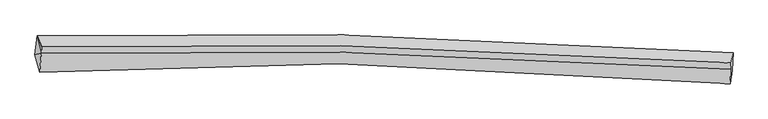
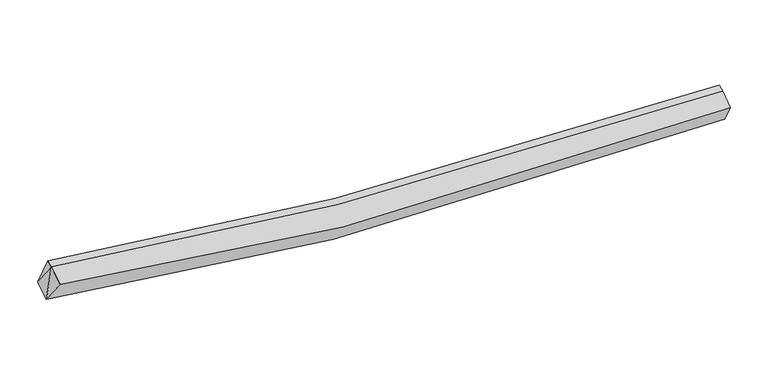
"""IFC4 building model written with IfcOpenShell, lengths in millimetres: proxy geometry."""

from ifc_helpers import new_model, si_unit, frame, origin, place, context, project, spatial, source, transform, mapped, element, save
from ifc_brep_helpers import plane_surface, spline_curve, spline_surface, advanced_brep


def generic_models_77953f7f(model_context):
    return source(origin(), model_context, "Body", "AdvancedBrep", [
        advanced_brep(
        [(-7149.6960996, -2012.6190544, 3245.5301863), (-7098.8583177, -1580.4940889, 3401.732407), (8663.3143075, -1968.4431852, 2577.9045223), (8646.0664213, -2363.6824695, 2419.885674), (-7041.7632633, -2402.0121523, 3814.4057907), (8596.8763949, -2667.1432073, 2911.7107668), (-7002.8064611, -1972.9759332, 3971.585057), (8606.5315786, -2342.8040561, 3118.1171287), (-6996.1174537, -1823.5670786, 4028.4379492), (8613.220586, -2193.3952015, 3174.9700208)],
        [
            (0, 1),
            (1, 2, spline_curve(3, [(-7098.8583177, -1580.4940889, 3401.732407), (-4842.62893726, -1524.992141413, 3000.667278083), (-2574.670928992, -1518.030031428, 2722.031617625), (2671.258394593, -1613.707136222, 2362.575790879), (5657.357928611, -1749.985611729, 2366.602156487), (8663.3143075, -1968.4431852, 2577.9045223)], [4, 2, 4], [0.0, 22.59805306903625, 52.0017915620288])),
            (2, 3),
            (3, 0, spline_curve(3, [(8646.0664213, -2363.6824695, 2419.885674), (5636.987301675, -2097.726270349, 2108.421034349), (2645.950964641, -1944.737669869, 2061.06145755), (-2611.917561205, -1873.958781933, 2444.385281528), (-4886.135397768, -1909.926245019, 2766.959696723), (-7149.6960996, -2012.6190544, 3245.5301863)], [4, 2, 4], [0.0, 29.40373849299255, 52.0017915620288])),
            (4, 0),
            (3, 5),
            (5, 4, spline_curve(3, [(8596.8763949, -2667.1432073, 2911.7107668), (5625.742531435, -2382.849580477, 2579.544317856), (2667.940853236, -2231.050282641, 2531.400005308), (-2539.481623852, -2196.908603955, 2948.560205895), (-4794.559832971, -2260.330883617, 3297.602859966), (-7041.7632633, -2402.0121523, 3814.4057907)], [4, 2, 4], [0.0, 29.323457681598423, 51.859811452202194])),
            (6, 4),
            (5, 7),
            (7, 6, spline_curve(3, [(8606.5315786, -2342.8040561, 3118.1171287), (5652.777612021, -2136.699723369, 2933.137104335), (2705.65135583, -2007.720715648, 2943.70828167), (-2494.748331793, -1916.01521947, 3308.244684792), (-4750.734754985, -1921.718186708, 3582.162816257), (-7002.8064611, -1972.9759332, 3971.585057)], [4, 2, 4], [0.0, 29.12501102907253, 51.50884990820352])),
            (8, 6),
            (7, 9),
            (9, 8, spline_curve(3, [(8613.220586, -2193.3952015, 3174.9700208), (5659.466619635, -1987.290868827, 2989.989995989), (2712.340362786, -1858.311860521, 3000.56117379), (-2488.059324051, -1766.606365275, 3365.097576877), (-4744.045748204, -1772.309331884, 3639.015708376), (-6996.1174537, -1823.5670786, 4028.4379492)], [4, 2, 4], [0.0, 29.081271354157984, 51.431494388991595])),
            (1, 8),
            (9, 2),
            (1, 6),
            (6, 0),
        ],
        [
            spline_surface(3, 3, [[(-7149.6960996, -2012.6190544, 3245.5301863), (-4886.135397742, -1909.926245046, 2766.95969679), (-2611.917561321, -1873.958782168, 2444.385281833), (2645.950964792, -1944.737669563, 2061.061457152), (5636.98730201, -2097.726270797, 2108.421034692), (8646.0664213, -2363.6824695, 2419.885674)], [(-7132.750172322, -1868.577399228, 3297.597593207), (-4871.633244278, -1781.614877248, 2844.862223848), (-2599.502017287, -1755.315865274, 2536.934060348), (2654.386774788, -1834.394158436, 2161.566235114), (5643.777510806, -1981.81271779, 2194.481408712), (8651.815716684, -2231.936041396, 2472.558623453)], [(-7115.804244978, -1724.535744072, 3349.665000093), (-4857.131090748, -1653.303509466, 2922.764750887), (-2587.086473206, -1636.672948364, 2629.482838934), (2662.822584832, -1724.050647294, 2262.071013146), (5650.56771965, -1865.899164795, 2280.541782673), (8657.565012116, -2100.189613304, 2525.231572847)], [(-7098.8583177, -1580.4940889, 3401.732407), (-4842.628937283, -1524.992141668, 3000.667277945), (-2574.670929173, -1518.030031469, 2722.031617449), (2671.258394829, -1613.707136168, 2362.575791108), (5657.357928447, -1749.985611787, 2366.602156693), (8663.3143075, -1968.4431852, 2577.9045223)]], [4, 4], [4, 2, 4], [0.0, 1.4739158099070377], [0.0, 22.59805306903625, 52.0017915620288]),
            spline_surface(3, 3, [[(-7041.7632633, -2402.0121523, 3814.4057907), (-4794.559832637, -2260.330883534, 3297.602859684), (-2539.481624196, -2196.908603859, 2948.56020591), (2667.940853685, -2231.050282767, 2531.400005289), (5625.742531311, -2382.849580774, 2579.544317765), (8596.8763949, -2667.1432073, 2911.7107668)], [(-7077.740875382, -2272.214452986, 3624.780589245), (-4825.085020987, -2143.529337357, 3120.721805398), (-2563.626936577, -2089.258663282, 2780.501897887), (2660.610890714, -2135.612745019, 2374.620489246), (5629.490788225, -2287.808477438, 2422.503223412), (8613.273070381, -2565.989628023, 2747.769069205)], [(-7113.718487518, -2142.416753714, 3435.155387755), (-4855.610209391, -2026.727791223, 2943.840751076), (-2587.772248939, -1981.608722745, 2612.443589856), (2653.280927762, -2040.17520731, 2217.840973195), (5633.239045095, -2192.767374133, 2265.462129045), (8629.669745819, -2464.836048777, 2583.827371595)], [(-7149.6960996, -2012.6190544, 3245.5301863), (-4886.135397742, -1909.926245046, 2766.95969679), (-2611.917561321, -1873.958782168, 2444.385281833), (2645.950964792, -1944.737669563, 2061.061457152), (5636.98730201, -2097.726270797, 2108.421034692), (8646.0664213, -2363.6824695, 2419.885674)]], [4, 4], [4, 2, 4], [0.0, 1.8729646440550762], [0.0, 22.53635377060377, 51.859811452202194]),
            spline_surface(3, 3, [[(-7002.8064611, -1972.9759332, 3971.585057), (-4750.73475533, -1921.718186523, 3582.16281603), (-2494.748331672, -1916.015219587, 3308.244684483), (2705.651355673, -2007.720715496, 2943.708282073), (5652.777611932, -2136.699723391, 2933.137104231), (8606.5315786, -2342.8040561, 3118.1171287)], [(-7015.792061841, -2115.988006252, 3919.19196821), (-4765.34311444, -2034.589085546, 3487.309497225), (-2509.659429179, -2009.646347699, 3188.349858316), (2693.081188345, -2082.163904608, 2806.272189835), (5643.765918393, -2218.749675867, 2815.272842074), (8603.313184034, -2450.917106515, 3049.315008065)], [(-7028.777662559, -2259.000079248, 3866.79887949), (-4779.951473527, -2147.459984511, 3392.456178489), (-2524.570526689, -2103.277475746, 3068.455032077), (2680.511021013, -2156.607093655, 2668.836097526), (5634.75422485, -2300.799628298, 2697.408579922), (8600.094789466, -2559.030156885, 2980.512887435)], [(-7041.7632633, -2402.0121523, 3814.4057907), (-4794.559832637, -2260.330883534, 3297.602859684), (-2539.481624196, -2196.908603859, 2948.56020591), (2667.940853685, -2231.050282767, 2531.400005289), (5625.742531311, -2382.849580774, 2579.544317765), (8596.8763949, -2667.1432073, 2911.7107668)]], [4, 4], [4, 2, 4], [0.0, 1.5180438513772365], [0.0, 22.38383887913099, 51.50884990820352]),
            spline_surface(3, 3, [[(-6996.1174537, -1823.5670786, 4028.4379492), (-4744.04574793, -1772.309331923, 3639.01570823), (-2488.059324272, -1766.606364987, 3365.097576583), (2712.340363073, -1858.311860896, 3000.561174173), (5659.466619332, -1987.290868791, 2989.989996331), (8613.220586, -2193.3952015, 3174.9700208)], [(-6998.347122837, -1873.370030139, 4009.486985161), (-4746.275417067, -1822.112283462, 3620.064744191), (-2490.288993409, -1816.409316525, 3346.146612544), (2710.110693936, -1908.114812435, 2981.610210133), (5657.236950195, -2037.09382033, 2971.039032292), (8610.990916863, -2243.198153039, 3156.019056761)], [(-7000.576791963, -1923.172981661, 3990.536021039), (-4748.505086193, -1871.915234985, 3601.113780069), (-2492.518662535, -1866.212268048, 3327.195648522), (2707.88102481, -1957.917763958, 2962.659246112), (5655.007281069, -2086.896771852, 2952.08806827), (8608.761247737, -2293.001104561, 3137.068092739)], [(-7002.8064611, -1972.9759332, 3971.585057), (-4750.73475533, -1921.718186523, 3582.16281603), (-2494.748331672, -1916.015219587, 3308.244684483), (2705.651355673, -2007.720715496, 2943.708282073), (5652.777611932, -2136.699723391, 2933.137104231), (8606.5315786, -2342.8040561, 3118.1171287)]], [4, 4], [4, 2, 4], [0.0, 0.5249343832021001], [0.0, 22.35022303483361, 51.431494388991595]),
            spline_surface(3, 3, [[(-7098.8583177, -1580.4940889, 3401.732407), (-4842.628937283, -1524.992141668, 3000.667277945), (-2574.670929173, -1518.030031469, 2722.031617449), (2671.258394829, -1613.707136168, 2362.575791108), (5657.357928447, -1749.985611787, 2366.602156693), (8663.3143075, -1968.4431852, 2577.9045223)], [(-7064.611363018, -1661.518418795, 3610.634254378), (-4809.76787415, -1607.431205082, 3213.450088018), (-2545.800394181, -1600.888809289, 2936.386937164), (2684.952384268, -1695.242044392, 2575.237585466), (5658.060825412, -1829.087364115, 2574.398103222), (8646.616400337, -2043.427190627, 2776.926355117)], [(-7030.364408382, -1742.542748705, 3819.536101822), (-4776.906811063, -1689.87026851, 3426.232898157), (-2516.929859264, -1683.747587167, 3150.742256869), (2698.646373634, -1776.776952673, 2787.899379814), (5658.763722366, -1908.189116463, 2782.194049802), (8629.918493163, -2118.411196073, 2975.948187983)], [(-6996.1174537, -1823.5670786, 4028.4379492), (-4744.04574793, -1772.309331923, 3639.01570823), (-2488.059324272, -1766.606364987, 3365.097576583), (2712.340363073, -1858.311860896, 3000.561174173), (5659.466619332, -1987.290868791, 2989.989996331), (8613.220586, -2193.3952015, 3174.9700208)]], [4, 4], [4, 2, 4], [0.0, 2.2553473868457394], [0.0, 22.448965309116446, 51.65871640453117]),
            plane_surface(frame((8625.2018576, -2307.0936239, 2840.5176225), z_axis=(0.9960551266349869, -0.0668139500732262, 0.058395896942961864), x_axis=(-0.02510655824579706, -0.8433852785987869, -0.5367223980568514))),
            plane_surface(frame((-7032.5940775, -1792.3457002, 3800.5851377), z_axis=(-0.9876356589248205, -0.01515695996138508, 0.15603227802241643), x_axis=(0.13749783279247332, -0.5618361257400885, 0.8157416955082906))),
            plane_surface(frame((-7064.7552747, -2129.20238, 3677.173678), z_axis=(-0.9801826867552621, 0.01668601012655649, 0.19739168587175115), x_axis=(0.1546804814424666, -0.5580462253625958, 0.8152658210787974))),
            plane_surface(frame((-7083.7869595, -1855.3630255, 3539.6158835), z_axis=(-0.9796413980024523, 0.0444871086831642, 0.19576421654841136), x_axis=(-0.10996854559722606, -0.9347409005488342, -0.33788513998159975))),
        ],
        [
            (0, [[1, 2, 3, 4]]),
            (1, [[5, -4, 6, 7]]),
            (2, [[8, -7, 9, 10]]),
            (3, [[11, -10, 12, 13]]),
            (4, [[14, -13, 15, -2]]),
            (5, [[-9, -6, -3, -15, -12]]),
            (6, [[16, -11, -14]]),
            (7, [[-5, -8, 17]]),
            (8, [[-1, -17, -16]]),
        ],
    ),
    ])


if __name__ == "__main__":
    model = new_model("IFC4")
    model_context = context("Model", 3, world=origin())
    ifc_project = project(units=[si_unit("LENGTHUNIT", "METRE", prefix="MILLI")], contexts=[model_context])
    site = spatial("IfcSite", under=ifc_project)
    building = spatial("IfcBuilding", under=site)
    placement = place(None, origin())
    generic_models_shape = generic_models_77953f7f(model_context)
    element("IfcBuildingElementProxy", 1, Name="Generic Models", at=placement, inside=building, context=model_context, shape_type="MappedRepresentation", body=[
        mapped(generic_models_shape, transform((0.0, 0.0, 0.0), x_axis=(1.0, 0.0, 0.0), y_axis=(0.0, 1.0, 0.0), z_axis=(0.0, 0.0, 1.0))),
    ])
    save(model, "model.ifc")
